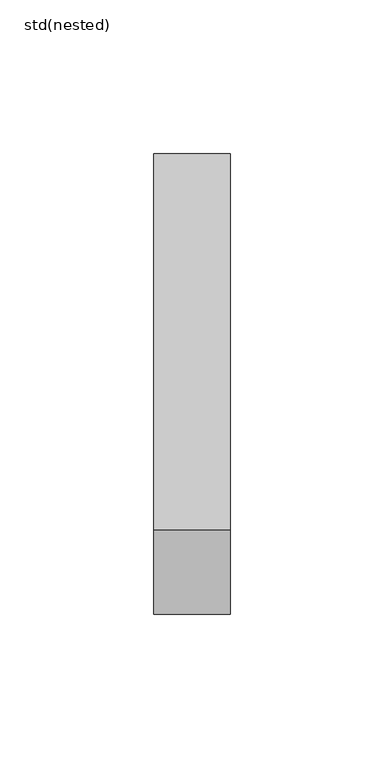
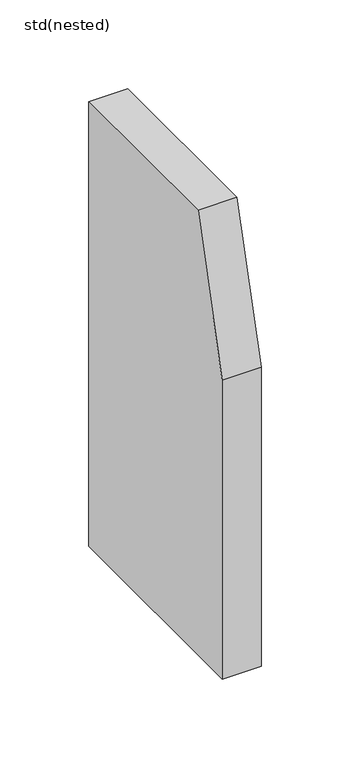
"""IFC4 building model written with IfcOpenShell, lengths in millimetres: sanitary terminal geometry, std(nested)."""

import ifcopenshell
import ifcopenshell.guid

model = None  # the IFC model being written
_history = None  # IfcOwnerHistory: only IFC2X3 demands one
_inside = {}  # id of a spatial element -> (the spatial element, [elements in it])
_under = {}  # id of a project, library or spatial element -> (it, [spatial elements below it])
_declared = {}  # id of a project -> (the project, [libraries it declares])
_typed = {}  # id of a type object -> (the type object, [elements of that type])
_made_of = {}  # id of a material, layer set ... -> (it, [elements and type objects made of it])


def new_model(schema):
    """Start an empty IFC model of exactly this schema.

    Asked for "IFC4X3", IfcOpenShell would pick the latest addendum, in which some entities
    have other attributes; the version numbers below select the first issue.
    IFC2X3 requires an IfcOwnerHistory on every rooted entity: one is made here for all.
    """
    global model, _history
    if schema == "IFC4X3":
        model = ifcopenshell.file(schema_version=(4, 3, 0, 0))
    else:
        model = ifcopenshell.file(schema=schema)
    _inside.clear()
    _under.clear()
    _declared.clear()
    _typed.clear()
    _made_of.clear()
    _history = None
    if model.schema == "IFC2X3":
        org = make("IfcOrganization", Name="unknown")
        user = make(
            "IfcPersonAndOrganization",
            ThePerson=make("IfcPerson", FamilyName="unknown"),
            TheOrganization=org,
        )
        app = make(
            "IfcApplication",
            ApplicationDeveloper=org,
            Version="unknown",
            ApplicationFullName="unknown",
            ApplicationIdentifier="unknown",
        )
        _history = make(
            "IfcOwnerHistory",
            OwningUser=user,
            OwningApplication=app,
            ChangeAction="ADDED",
            CreationDate=0,
        )
    return model


def make(cls, **values):
    """One entity of the class cls with the attributes given. An attribute that is None is left unset."""
    return model.create_entity(
        cls, **{name: value for name, value in values.items() if value is not None}
    )


def rooted(cls, **values):
    """An entity with a GlobalId (a new one), such as an element, a storey or a relation."""
    return make(cls, GlobalId=ifcopenshell.guid.new(), OwnerHistory=_history, **values)


def si_unit(unit_type, name, prefix=None):
    """IfcSIUnit, for example si_unit("LENGTHUNIT", "METRE", prefix="MILLI")."""
    return make("IfcSIUnit", UnitType=unit_type, Prefix=prefix, Name=name)


def assignment(units):
    """IfcUnitAssignment: the units of a project."""
    return None if units is None else make("IfcUnitAssignment", Units=units)


def point(xyz):
    """IfcCartesianPoint."""
    return None if xyz is None else make("IfcCartesianPoint", Coordinates=xyz)


def direction(xyz):
    """IfcDirection."""
    return None if xyz is None else make("IfcDirection", DirectionRatios=xyz)


def frame(location, z_axis=None, x_axis=None):
    """IfcAxis2Placement3D, a coordinate frame: its origin and axes. An axis left out is left unset."""
    return make(
        "IfcAxis2Placement3D",
        Location=point(location),
        Axis=direction(z_axis),
        RefDirection=direction(x_axis),
    )


def origin():
    """The frame at (0, 0, 0) with its axes left unset."""
    return frame((0.0, 0.0, 0.0))


def place(relative_to, where):
    """IfcLocalPlacement: puts the frame where relative to a parent placement (None: the world)."""
    return make(
        "IfcLocalPlacement", PlacementRelTo=relative_to, RelativePlacement=where
    )


def context(
    kind, dimensions, precision=None, world=None, true_north=None, identifier=None
):
    """IfcGeometricRepresentationContext, for example the 3D "Model" context."""
    return make(
        "IfcGeometricRepresentationContext",
        ContextIdentifier=identifier,
        ContextType=kind,
        CoordinateSpaceDimension=dimensions,
        Precision=precision,
        WorldCoordinateSystem=world,
        TrueNorth=true_north,
    )


def project(units=None, contexts=None):
    """IfcProject with its units and contexts."""
    return rooted(
        "IfcProject",
        Name="project",
        RepresentationContexts=contexts,
        UnitsInContext=assignment(units),
    )


def spatial(cls, under=None, at=None, **own):
    """A site, building, storey or space (cls), placed at a placement, below another one or the project."""
    s = rooted(cls, ObjectPlacement=at, **own)
    if under is not None:
        _under.setdefault(under.id(), (under, []))[1].append(s)
    return s


def polyline(points):
    """IfcPolyline through the points."""
    return make("IfcPolyline", Points=[point(p) for p in points])


def outline(outer, holes=None, kind="AREA"):
    """IfcArbitraryClosedProfileDef: a profile drawn as a closed curve; with holes, ...WithVoids."""
    if holes is None:
        return make("IfcArbitraryClosedProfileDef", ProfileType=kind, OuterCurve=outer)
    return make(
        "IfcArbitraryProfileDefWithVoids",
        ProfileType=kind,
        OuterCurve=outer,
        InnerCurves=holes,
    )


def extrude(swept, where, along, depth):
    """IfcExtrudedAreaSolid: the profile swept, set in the frame where, extruded along a direction by depth."""
    return make(
        "IfcExtrudedAreaSolid",
        SweptArea=swept,
        Position=where,
        ExtrudedDirection=direction(along),
        Depth=depth,
    )


def shape(context_of_items, identifier, shape_type, items):
    """IfcShapeRepresentation: the items that make up one representation, for example the "Body"."""
    return make(
        "IfcShapeRepresentation",
        ContextOfItems=context_of_items,
        RepresentationIdentifier=identifier,
        RepresentationType=shape_type,
        Items=items,
    )


def source(mapping_origin, context_of_items, identifier, shape_type, items):
    """IfcRepresentationMap: a shape defined once, which mapped items show again and again."""
    return make(
        "IfcRepresentationMap",
        MappingOrigin=mapping_origin,
        MappedRepresentation=shape(context_of_items, identifier, shape_type, items),
    )


def transform(
    local_origin,
    x_axis=None,
    y_axis=None,
    z_axis=None,
    scale=None,
    scale2=None,
    scale3=None,
    uniform=True,
):
    """IfcCartesianTransformationOperator3D, or its non-uniform kind. x_axis, y_axis, z_axis: its Axis1, 2, 3."""
    if uniform:
        return make(
            "IfcCartesianTransformationOperator3D",
            Axis1=direction(x_axis),
            Axis2=direction(y_axis),
            LocalOrigin=point(local_origin),
            Scale=scale,
            Axis3=direction(z_axis),
        )
    return make(
        "IfcCartesianTransformationOperator3DnonUniform",
        Axis1=direction(x_axis),
        Axis2=direction(y_axis),
        LocalOrigin=point(local_origin),
        Scale=scale,
        Axis3=direction(z_axis),
        Scale2=scale2,
        Scale3=scale3,
    )


def mapped(mapping_source, mapping_target):
    """IfcMappedItem: shows the shape of a source again, moved by a transform."""
    return make(
        "IfcMappedItem", MappingSource=mapping_source, MappingTarget=mapping_target
    )


def made_of(thing, what):
    """Note that an element or type object is made of a material, layer set ...; save() writes the relation."""
    if what is not None:
        _made_of.setdefault(what.id(), (what, []))[1].append(thing)
    return thing


def element(
    cls,
    number,
    at=None,
    inside=None,
    cuts=None,
    type_object=None,
    material=None,
    context=None,
    identifier="Body",
    shape_type=None,
    held_by="IfcProductDefinitionShape",
    body=None,
    shapes=None,
    **own,
):
    """One element of the class cls, such as IfcWall. Its Tag is "e" and its number.

    at: its placement. inside: the storey or other place that contains it. cuts: it is an
    opening in that element (IfcRelVoidsElement). A single representation is given by context,
    identifier, shape_type and body (its items); several are given by shapes. held_by: the class
    of the entity that holds the representations. save() writes the other relations.
    """
    e = rooted(cls, Tag="e%d" % number, ObjectPlacement=at, **own)
    if body is not None:
        shapes = [shape(context, identifier, shape_type, body)]
    if shapes is not None:
        e.Representation = make(held_by, Representations=shapes)
    if inside is not None:
        _inside.setdefault(inside.id(), (inside, []))[1].append(e)
    if cuts is not None:
        rooted(
            "IfcRelVoidsElement", RelatingBuildingElement=cuts, RelatedOpeningElement=e
        )
    if type_object is not None:
        _typed.setdefault(type_object.id(), (type_object, []))[1].append(e)
    return made_of(e, material)


def aggregate(whole, parts):
    """IfcRelAggregates: a whole, such as a stair, and the parts it consists of."""
    return rooted("IfcRelAggregates", RelatingObject=whole, RelatedObjects=parts)


def save(model, path):
    """Write the relations noted so far, then the file.

    IfcRelAggregates (storeys below a building ...), IfcRelContainedInSpatialStructure (elements
    in a storey), IfcRelDefinesByType, IfcRelAssociatesMaterial and IfcRelDeclares: one each for
    every whole, place, type object, material and project.
    """
    for whole, parts in _under.values():
        aggregate(whole, parts)
    for where, things in _inside.values():
        rooted(
            "IfcRelContainedInSpatialStructure",
            RelatedElements=things,
            RelatingStructure=where,
        )
    for kind, things in _typed.values():
        rooted("IfcRelDefinesByType", RelatedObjects=things, RelatingType=kind)
    for what, things in _made_of.values():
        rooted("IfcRelAssociatesMaterial", RelatedObjects=things, RelatingMaterial=what)
    for by, libraries in _declared.values():
        rooted("IfcRelDeclares", RelatingContext=by, RelatedDefinitions=libraries)
    model.write(path)


def std_nested_d9ce607c(model_context):
    return source(origin(), model_context, "Body", "SweptSolid", [
        extrude(outline(polyline([(-550.4923488, -305.0), (-700.4923488, -305.0), (-700.4923488, -100.0), (-673.1182168, 0.0), (-550.4923488, 0.0), (-550.4923488, -305.0)])), frame((-752.8529257, 0.0, 0.0), z_axis=(1.0, 0.0, 0.0), x_axis=(0.0, 1.0, 0.0)), (0.0, 0.0, 1.0), 25.0),
    ])


if __name__ == "__main__":
    model = new_model("IFC4")
    model_context = context("Model", 3, world=origin())
    ifc_project = project(units=[si_unit("LENGTHUNIT", "METRE", prefix="MILLI")], contexts=[model_context])
    site = spatial("IfcSite", under=ifc_project)
    building = spatial("IfcBuilding", under=site)
    placement = place(None, origin())
    std_nested_shape = std_nested_d9ce607c(model_context)
    element("IfcSanitaryTerminal", 1, ObjectType="std(nested)", at=placement, inside=building, context=model_context, shape_type="MappedRepresentation", body=[
        mapped(std_nested_shape, transform((0.0, 0.0, 0.0), x_axis=(1.0, 0.0, 0.0), y_axis=(0.0, 1.0, 0.0), z_axis=(0.0, 0.0, 1.0))),
    ])
    save(model, "model.ifc")
